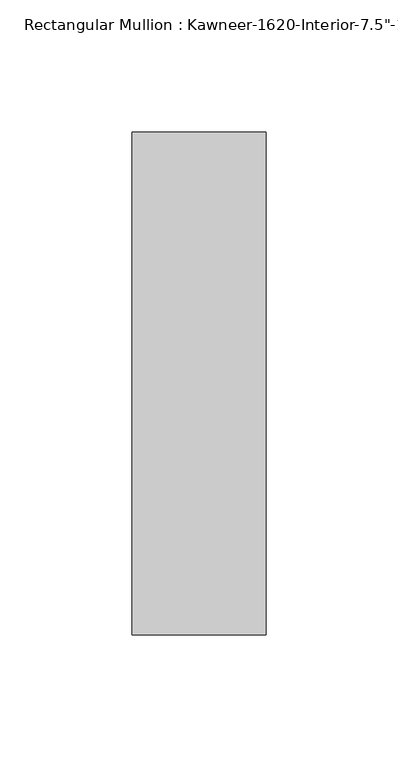
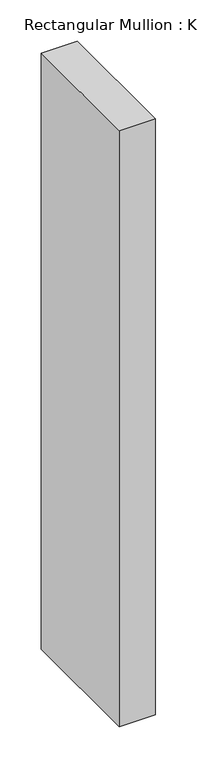
"""IFC4 building model written with IfcOpenShell, lengths in millimetres: member geometry."""

from ifc_helpers import new_model, si_unit, frame, origin, place, context, project, spatial, polyline, outline, extrude, source, transform, mapped, element, save


def member_40ca8d6d(model_context):
    return source(origin(), model_context, "Body", "SweptSolid", [
        extrude(outline(polyline([(25.4, -152.4), (-25.4, -152.4), (-25.4, 38.1), (25.4, 38.1), (25.4, -152.4)])), frame((0.0, 0.0, -885.825), z_axis=(0.0, 0.0, 1.0), x_axis=(1.0, 0.0, 0.0)), (0.0, 0.0, 1.0), 885.825),
    ])


if __name__ == "__main__":
    model = new_model("IFC4")
    model_context = context("Model", 3, world=origin())
    ifc_project = project(units=[si_unit("LENGTHUNIT", "METRE", prefix="MILLI")], contexts=[model_context])
    site = spatial("IfcSite", under=ifc_project)
    building = spatial("IfcBuilding", under=site)
    placement = place(None, origin())
    member_shape = member_40ca8d6d(model_context)
    element("IfcMember", 1, ObjectType="Rectangular Mullion : Kawneer-1620-Interior-7.5\"-1\"Infill", at=placement, inside=building, context=model_context, shape_type="MappedRepresentation", body=[
        mapped(member_shape, transform((0.0, 0.0, 0.0), x_axis=(1.0, 0.0, 0.0), y_axis=(0.0, 1.0, 0.0), z_axis=(0.0, 0.0, 1.0))),
    ])
    save(model, "model.ifc")
